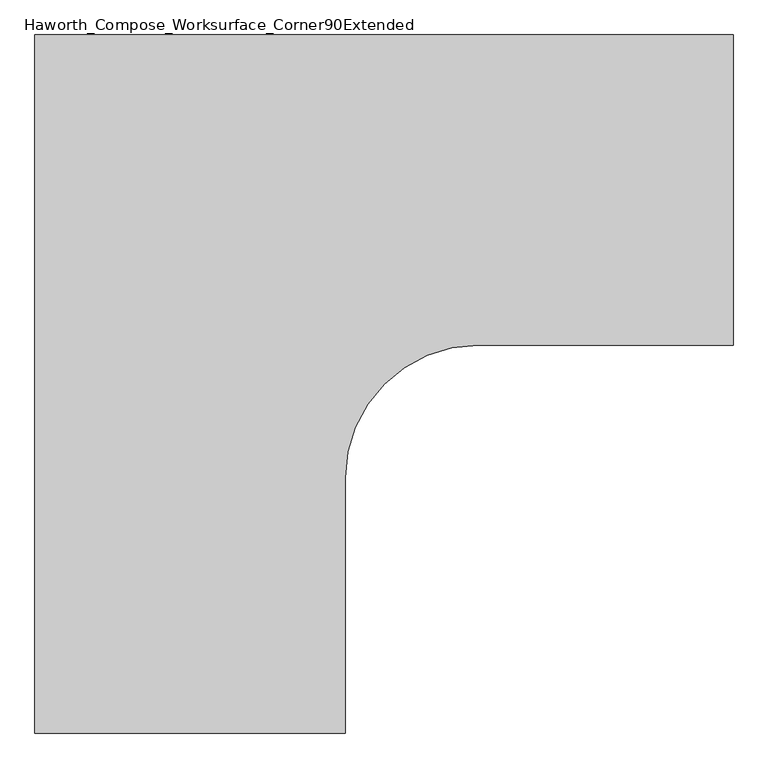
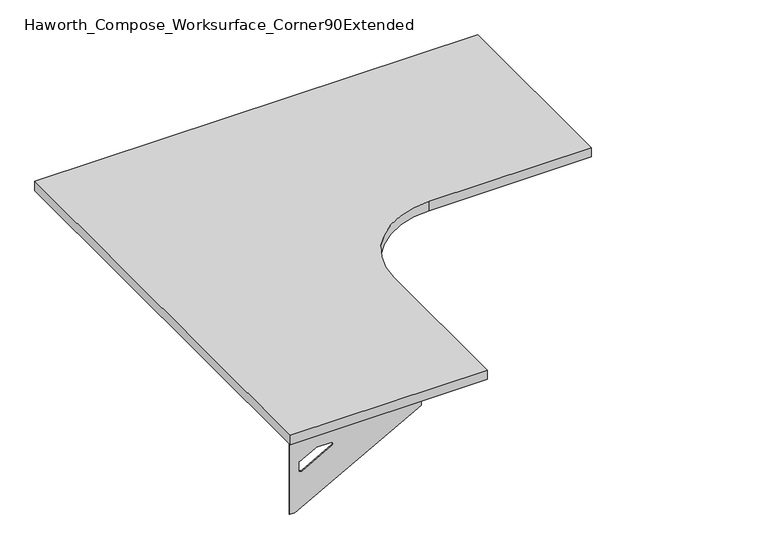
"""IFC4 building model written with IfcOpenShell, lengths in millimetres: furniture geometry, Haworth_Compose_Worksurface_Corner90Extended."""

from ifc_helpers import new_model, si_unit, point, frame, frame_2d, origin, place, context, project, spatial, polyline, circle_curve, trimmed, segment, composite_curve, outline, extrude, source, transform, mapped, element, save
from ifc_brep_helpers import plane_surface, revolved_surface, advanced_brep


def haworth_compose_worksurface_corner90extended_00e651a2(model_context):
    return source(origin(), model_context, "Body", "SolidModel", [
        advanced_brep(
        [(832.64375, 152.4, 475.45625), (832.64375, 136.525, 475.45625), (832.64375, -254.0, 691.7192568), (832.64375, -254.0, 704.05625), (832.64375, 136.525, 704.05625), (832.64375, 152.4, 704.05625), (832.64375, 69.090072, 665.95625), (832.64375, 25.4355284, 665.95625), (832.64375, 22.7564235, 656.3705539), (832.64375, 114.4776173, 605.5776439), (832.64375, 123.825, 611.1756969), (832.64375, 123.825, 634.6860246), (832.64375, 122.0730055, 637.5242776), (832.64375, 72.1663437, 665.1613425), (835.025, 152.4, 475.45625), (835.025, 152.4, 704.05625), (835.025, 136.525, 704.05625), (835.025, 136.525, 706.4375), (835.025, -254.0, 706.4375), (835.025, -254.0, 691.7192568), (835.025, 136.525, 475.45625), (835.025, 69.090072, 665.95625), (835.025, 72.1663437, 665.1613425), (835.025, 122.0730055, 637.5242776), (835.025, 123.825, 634.6860246), (835.025, 123.825, 611.1756969), (835.025, 114.4776173, 605.5776439), (835.025, 22.7564235, 656.3705539), (835.025, 25.4355284, 665.95625), (793.75, -254.0, 706.4375), (793.75, -254.0, 704.05625), (793.75, 136.525, 704.05625), (793.75, 136.525, 706.4375)],
        [
            (0, 1),
            (1, 2),
            (2, 3),
            (3, 4),
            (4, 5),
            (5, 0),
            (6, 7),
            (7, 8, circle_curve(frame((832.64375, 25.4355284, 660.7890106), z_axis=(1.0, 0.0, 0.0), x_axis=(0.0, -1.0, 0.0)), 5.1672394)),
            (8, 9),
            (9, 10, circle_curve(frame((832.64375, 117.475, 611.1756969), z_axis=(1.0, 0.0, 0.0), x_axis=(0.0, -1.0, 0.0)), 6.35)),
            (10, 11),
            (11, 12, circle_curve(frame((832.64375, 120.65, 634.6860246), z_axis=(1.0, 0.0, 0.0), x_axis=(0.0, -1.0, 0.0)), 3.175)),
            (12, 13),
            (13, 6, circle_curve(frame((832.64375, 69.090072, 659.60625), z_axis=(1.0, 0.0, 0.0), x_axis=(0.0, -1.0, 0.0)), 6.35)),
            (14, 15),
            (15, 16),
            (16, 17),
            (17, 18),
            (18, 19),
            (19, 20),
            (20, 14),
            (21, 22, circle_curve(frame((835.025, 69.090072, 659.60625), z_axis=(-1.0, 0.0, 0.0), x_axis=(0.0, -1.0, 0.0)), 6.35)),
            (22, 23),
            (23, 24, circle_curve(frame((835.025, 120.65, 634.6860246), z_axis=(-1.0, 0.0, 0.0), x_axis=(0.0, -1.0, 0.0)), 3.175)),
            (24, 25),
            (25, 26, circle_curve(frame((835.025, 117.475, 611.1756969), z_axis=(-1.0, 0.0, 0.0), x_axis=(0.0, -1.0, 0.0)), 6.35)),
            (26, 27),
            (27, 28, circle_curve(frame((835.025, 25.4355284, 660.7890106), z_axis=(-1.0, 0.0, 0.0), x_axis=(0.0, -1.0, 0.0)), 5.1672394)),
            (28, 21),
            (4, 16),
            (15, 5),
            (14, 0),
            (20, 1),
            (19, 2),
            (18, 29),
            (29, 30),
            (30, 3),
            (6, 21),
            (28, 7),
            (9, 26),
            (25, 10),
            (24, 11),
            (23, 12),
            (27, 8),
            (31, 4),
            (30, 31),
            (32, 29),
            (17, 32),
            (31, 32),
            (22, 13),
        ],
        [
            plane_surface(frame((832.64375, 152.4, 475.45625), z_axis=(-1.0, 0.0, 0.0), x_axis=(0.0, 1.0, 0.0))),
            plane_surface(frame((835.025, 152.4, 475.45625), z_axis=(1.0, 0.0, 0.0), x_axis=(0.0, -1.0, 0.0))),
            plane_surface(frame((835.025, -254.0, 704.05625), z_axis=(0.0, 0.0, 1.0), x_axis=(-1.0, 0.0, 0.0))),
            plane_surface(frame((835.025, 152.4, 704.05625), z_axis=(0.0, 1.0, 0.0), x_axis=(-1.0, 0.0, 0.0))),
            plane_surface(frame((835.025, 152.4, 475.45625), z_axis=(0.0, 0.0, -1.0), x_axis=(-1.0, 0.0, 0.0))),
            plane_surface(frame((835.025, 136.525, 475.45625), z_axis=(0.0, -0.4844522351345575, -0.8748177135112957), x_axis=(-1.0, 0.0, 0.0))),
            plane_surface(frame((835.025, -254.0, 691.7192568), z_axis=(0.0, -1.0, 0.0), x_axis=(-1.0, 0.0, 0.0))),
            plane_surface(frame((835.025, 69.090072, 665.95625), z_axis=(0.0, 0.0, -1.0), x_axis=(-1.0, 0.0, 0.0))),
            revolved_surface(polyline([(832.64375, 111.125, 611.1756969), (835.025, 111.125, 611.1756969)]), (835.025, 117.475, 611.1756969), (-1.0, 0.0, 0.0)),
            plane_surface(frame((835.025, 123.825, 611.1756969), z_axis=(0.0, -1.0, 0.0), x_axis=(-1.0, 0.0, 0.0))),
            revolved_surface(polyline([(832.64375, 117.47500000000001, 634.6860246), (835.025, 117.47500000000001, 634.6860246)]), (835.025, 120.65, 634.6860246), (-1.0, 0.0, 0.0)),
            revolved_surface(polyline([(832.64375, 20.268289, 660.7890106), (835.025, 20.268289, 660.7890106)]), (835.025, 25.4355284, 660.7890106), (-1.0, 0.0, 0.0)),
            plane_surface(frame((835.025, 136.525, 704.05625), z_axis=(0.0, 0.0, -1.0), x_axis=(-1.0, 0.0, 0.0))),
            plane_surface(frame((835.025, 136.525, 706.4375), z_axis=(0.0, 0.0, 1.0), x_axis=(1.0, 0.0, 0.0))),
            plane_surface(frame((793.75, 136.525, 706.4375), z_axis=(0.0, 1.0, 0.0), x_axis=(0.0, 0.0, -1.0))),
            plane_surface(frame((793.75, -254.0, 706.4375), z_axis=(-1.0, 0.0, 0.0), x_axis=(0.0, 0.0, -1.0))),
            plane_surface(frame((835.025, 22.7564235, 656.3705539), z_axis=(0.0, 0.4844522351341526, 0.8748177135115199), x_axis=(-1.0, 0.0, 0.0))),
            plane_surface(frame((835.025, 122.0730055, 637.5242776), z_axis=(0.0, -0.48445223513456226, -0.874817713511293), x_axis=(-1.0, 0.0, 0.0))),
            revolved_surface(polyline([(832.64375, 62.740072000000005, 659.60625), (835.025, 62.740072000000005, 659.60625)]), (835.025, 69.090072, 659.60625), (-1.0, 0.0, 0.0)),
        ],
        [
            (0, [[1, 2, 3, 4, 5, 6], [7, 8, 9, 10, 11, 12, 13, 14]]),
            (1, [[15, 16, 17, 18, 19, 20, 21], [22, 23, 24, 25, 26, 27, 28, 29]]),
            (2, [[-5, 30, -16, 31]]),
            (3, [[-31, -15, 32, -6]]),
            (4, [[-32, -21, 33, -1]]),
            (5, [[-33, -20, 34, -2]]),
            (6, [[-34, -19, 35, 36, 37, -3]]),
            (7, [[38, -29, 39, -7]]),
            (8, [[40, -26, 41, -10]]),
            (9, [[-41, -25, 42, -11]]),
            (10, [[-42, -24, 43, -12]]),
            (11, [[-39, -28, 44, -8]]),
            (12, [[45, -4, -37, 46]]),
            (13, [[47, -35, -18, 48]]),
            (14, [[-17, -30, -45, 49, -48]]),
            (15, [[-36, -47, -49, -46]]),
            (16, [[-44, -27, -40, -9]]),
            (17, [[-43, -23, 50, -13]]),
            (18, [[-50, -22, -38, -14]]),
        ],
    ),
        advanced_brep(
        [(-533.4, -1213.64375, 475.45625), (-533.4, -1213.64375, 704.05625), (-517.525, -1213.64375, 704.05625), (-127.0, -1213.64375, 704.05625), (-127.0, -1213.64375, 691.7192568), (-517.525, -1213.64375, 475.45625), (-450.090072, -1213.64375, 665.95625), (-453.1663437, -1213.64375, 665.1613425), (-503.0730055, -1213.64375, 637.5242776), (-504.825, -1213.64375, 634.6860246), (-504.825, -1213.64375, 611.1756969), (-495.4776173, -1213.64375, 605.5776439), (-403.7564235, -1213.64375, 656.3705539), (-406.4355284, -1213.64375, 665.95625), (-533.4, -1216.025, 475.45625), (-517.525, -1216.025, 475.45625), (-127.0, -1216.025, 691.7192568), (-127.0, -1216.025, 706.4375), (-517.525, -1216.025, 706.4375), (-517.525, -1216.025, 704.05625), (-533.4, -1216.025, 704.05625), (-450.090072, -1216.025, 665.95625), (-406.4355284, -1216.025, 665.95625), (-403.7564235, -1216.025, 656.3705539), (-495.4776173, -1216.025, 605.5776439), (-504.825, -1216.025, 611.1756969), (-504.825, -1216.025, 634.6860246), (-503.0730055, -1216.025, 637.5242776), (-453.1663437, -1216.025, 665.1613425), (-127.0, -1174.75, 704.05625), (-127.0, -1174.75, 706.4375), (-517.525, -1174.75, 704.05625), (-517.525, -1174.75, 706.4375)],
        [
            (0, 1),
            (1, 2),
            (2, 3),
            (3, 4),
            (4, 5),
            (5, 0),
            (6, 7, circle_curve(frame((-450.090072, -1213.64375, 659.60625), z_axis=(0.0, -1.0, 0.0), x_axis=(1.0, 0.0, 0.0)), 6.35)),
            (7, 8),
            (8, 9, circle_curve(frame((-501.65, -1213.64375, 634.6860246), z_axis=(0.0, -1.0, 0.0), x_axis=(1.0, 0.0, 0.0)), 3.175)),
            (9, 10),
            (10, 11, circle_curve(frame((-498.475, -1213.64375, 611.1756969), z_axis=(0.0, -1.0, 0.0), x_axis=(1.0, 0.0, 0.0)), 6.35)),
            (11, 12),
            (12, 13, circle_curve(frame((-406.4355284, -1213.64375, 660.7890106), z_axis=(0.0, -1.0, 0.0), x_axis=(1.0, 0.0, 0.0)), 5.1672394)),
            (13, 6),
            (14, 15),
            (15, 16),
            (16, 17),
            (17, 18),
            (18, 19),
            (19, 20),
            (20, 14),
            (21, 22),
            (22, 23, circle_curve(frame((-406.4355284, -1216.025, 660.7890106), z_axis=(0.0, 1.0, 0.0), x_axis=(1.0, 0.0, 0.0)), 5.1672394)),
            (23, 24),
            (24, 25, circle_curve(frame((-498.475, -1216.025, 611.1756969), z_axis=(0.0, 1.0, 0.0), x_axis=(1.0, 0.0, 0.0)), 6.35)),
            (25, 26),
            (26, 27, circle_curve(frame((-501.65, -1216.025, 634.6860246), z_axis=(0.0, 1.0, 0.0), x_axis=(1.0, 0.0, 0.0)), 3.175)),
            (27, 28),
            (28, 21, circle_curve(frame((-450.090072, -1216.025, 659.60625), z_axis=(0.0, 1.0, 0.0), x_axis=(1.0, 0.0, 0.0)), 6.35)),
            (1, 20),
            (19, 2),
            (0, 14),
            (5, 15),
            (4, 16),
            (3, 29),
            (29, 30),
            (30, 17),
            (13, 22),
            (21, 6),
            (10, 25),
            (24, 11),
            (9, 26),
            (8, 27),
            (12, 23),
            (31, 29),
            (2, 31),
            (32, 18),
            (30, 32),
            (32, 31),
            (7, 28),
        ],
        [
            plane_surface(frame((-533.4, -1213.64375, 475.45625), z_axis=(0.0, 1.0, 0.0), x_axis=(-1.0, 0.0, 0.0))),
            plane_surface(frame((-533.4, -1216.025, 475.45625), z_axis=(0.0, -1.0, 0.0), x_axis=(1.0, 0.0, 0.0))),
            plane_surface(frame((-127.0, -1216.025, 704.05625), z_axis=(0.0, 0.0, 1.0), x_axis=(0.0, 1.0, 0.0))),
            plane_surface(frame((-533.4, -1216.025, 704.05625), z_axis=(-1.0, 0.0, 0.0), x_axis=(0.0, 1.0, 0.0))),
            plane_surface(frame((-533.4, -1216.025, 475.45625), z_axis=(0.0, 0.0, -1.0), x_axis=(0.0, 1.0, 0.0))),
            plane_surface(frame((-517.525, -1216.025, 475.45625), z_axis=(0.4844522351345575, 0.0, -0.8748177135112957), x_axis=(0.0, 1.0, 0.0))),
            plane_surface(frame((-127.0, -1216.025, 691.7192568), z_axis=(1.0, 0.0, 0.0), x_axis=(0.0, 1.0, 0.0))),
            plane_surface(frame((-450.090072, -1216.025, 665.95625), z_axis=(0.0, 0.0, -1.0), x_axis=(0.0, 1.0, 0.0))),
            revolved_surface(polyline([(-492.125, -1213.64375, 611.1756969), (-492.125, -1216.025, 611.1756969)]), (-498.475, -1216.025, 611.1756969), (0.0, 1.0, 0.0)),
            plane_surface(frame((-504.825, -1216.025, 611.1756969), z_axis=(1.0, 0.0, 0.0), x_axis=(0.0, 1.0, 0.0))),
            revolved_surface(polyline([(-498.47499999999997, -1213.64375, 634.6860246), (-498.47499999999997, -1216.025, 634.6860246)]), (-501.65, -1216.025, 634.6860246), (0.0, 1.0, 0.0)),
            revolved_surface(polyline([(-401.268289, -1213.64375, 660.7890106), (-401.268289, -1216.025, 660.7890106)]), (-406.4355284, -1216.025, 660.7890106), (0.0, 1.0, 0.0)),
            plane_surface(frame((-517.525, -1216.025, 704.05625), z_axis=(0.0, 0.0, -1.0), x_axis=(0.0, 1.0, 0.0))),
            plane_surface(frame((-517.525, -1216.025, 706.4375), z_axis=(0.0, 0.0, 1.0), x_axis=(0.0, -1.0, 0.0))),
            plane_surface(frame((-517.525, -1174.75, 706.4375), z_axis=(-1.0, 0.0, 0.0), x_axis=(0.0, 0.0, -1.0))),
            plane_surface(frame((-127.0, -1174.75, 706.4375), z_axis=(0.0, 1.0, 0.0), x_axis=(0.0, 0.0, -1.0))),
            plane_surface(frame((-403.7564235, -1216.025, 656.3705539), z_axis=(-0.4844522351341526, 0.0, 0.8748177135115199), x_axis=(0.0, 1.0, 0.0))),
            plane_surface(frame((-503.0730055, -1216.025, 637.5242776), z_axis=(0.48445223513456226, 0.0, -0.874817713511293), x_axis=(0.0, 1.0, 0.0))),
            revolved_surface(polyline([(-443.740072, -1213.64375, 659.60625), (-443.740072, -1216.025, 659.60625)]), (-450.090072, -1216.025, 659.60625), (0.0, 1.0, 0.0)),
        ],
        [
            (0, [[1, 2, 3, 4, 5, 6], [7, 8, 9, 10, 11, 12, 13, 14]]),
            (1, [[15, 16, 17, 18, 19, 20, 21], [22, 23, 24, 25, 26, 27, 28, 29]]),
            (2, [[30, -20, 31, -2]]),
            (3, [[-1, 32, -21, -30]]),
            (4, [[-6, 33, -15, -32]]),
            (5, [[-5, 34, -16, -33]]),
            (6, [[-4, 35, 36, 37, -17, -34]]),
            (7, [[-14, 38, -22, 39]]),
            (8, [[-11, 40, -25, 41]]),
            (9, [[-10, 42, -26, -40]]),
            (10, [[-9, 43, -27, -42]]),
            (11, [[-13, 44, -23, -38]]),
            (12, [[45, -35, -3, 46]]),
            (13, [[47, -18, -37, 48]]),
            (14, [[-47, 49, -46, -31, -19]]),
            (15, [[-45, -49, -48, -36]]),
            (16, [[-12, -41, -24, -44]]),
            (17, [[-8, 50, -28, -43]]),
            (18, [[-7, -39, -29, -50]]),
        ],
    ),
        extrude(outline(composite_curve([segment(polyline([(-533.4, 152.4), (838.2, 152.4), (838.2, -457.2), (336.55, -457.2)]), True, "CONTINUOUS"), segment(trimmed(circle_curve(frame_2d((336.55, -717.55)), 260.35), [point((336.55, -457.2))], [point((76.2, -717.55))], True, "CARTESIAN"), True, "CONTINUOUS"), segment(polyline([(76.2, -717.55), (76.2, -1219.2), (-533.4, -1219.2), (-533.4, 152.4)]), True, "CONTINUOUS")], self_intersect=False)), frame((0.0, 0.0, 706.4375), z_axis=(0.0, 0.0, 1.0), x_axis=(1.0, 0.0, 0.0)), (0.0, 0.0, 1.0), 30.1625),
    ])


if __name__ == "__main__":
    model = new_model("IFC4")
    model_context = context("Model", 3, world=origin())
    ifc_project = project(units=[si_unit("LENGTHUNIT", "METRE", prefix="MILLI")], contexts=[model_context])
    site = spatial("IfcSite", under=ifc_project)
    building = spatial("IfcBuilding", under=site)
    placement = place(None, origin())
    haworth_compose_worksurface_corner90extended_shape = haworth_compose_worksurface_corner90extended_00e651a2(model_context)
    element("IfcFurniture", 1, ObjectType="Haworth_Compose_Worksurface_Corner90Extended", at=placement, inside=building, context=model_context, shape_type="MappedRepresentation", body=[
        mapped(haworth_compose_worksurface_corner90extended_shape, transform((0.0, 0.0, 0.0), x_axis=(1.0, 0.0, 0.0), y_axis=(0.0, 1.0, 0.0), z_axis=(0.0, 0.0, 1.0))),
    ])
    save(model, "model.ifc")
